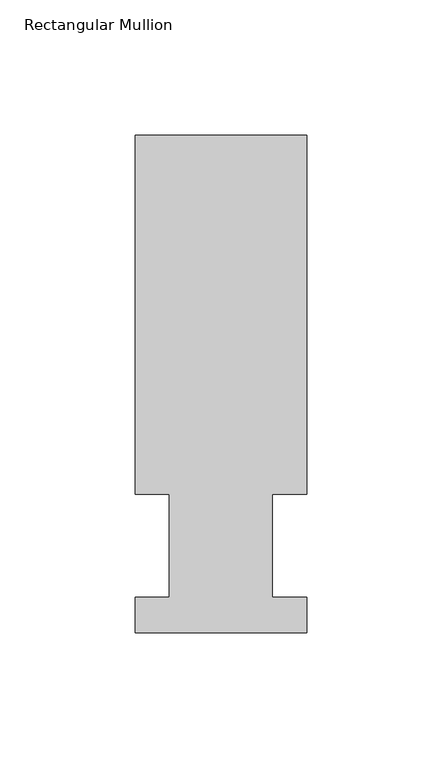
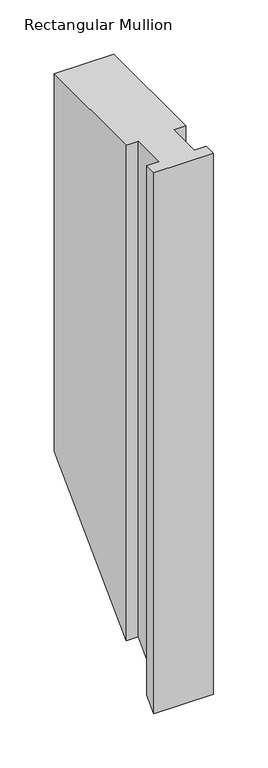
"""IFC4 building model written with IfcOpenShell, lengths in millimetres: member geometry, Rectangular Mullion."""

from ifc_helpers import new_model, si_unit, origin, place, context, project, spatial, faceted_brep, source, transform, mapped, element, save


def rectangular_mullion_41f70af0(model_context):
    return source(origin(), model_context, "Body", "Brep", [
        faceted_brep([(0.0, 184.2396937, 0.0), (-63.5127, 184.2396938, 0.0), (-63.5127, 51.2960938, 0.0), (-50.8127001, 51.2960938, 0.0), (-50.8127001, 13.1960938, 0.0), (-63.5000001, 13.1960938, 0.0), (-63.5000001, 0.0134938, 0.0), (0.0, 0.0134938, 0.0), (0.0, 13.1960938, 0.0), (-12.6873001, 13.1960938, 0.0), (-12.6873001, 51.2960938, 0.0), (0.0, 51.2960938, 0.0), (0.0, 51.2960938, -558.3039062), (0.0, 184.2396937, -425.3603062), (-12.6873001, 51.2960938, -558.3039062), (-12.6873001, 13.1960938, -596.4039062), (0.0, 13.1960938, -596.4039062), (0.0, 0.0134938, -609.5865062), (-63.5000001, 0.0134938, -609.5865062), (-63.5000001, 13.1960938, -596.4039062), (-50.8127001, 13.1960938, -596.4039062), (-50.8127001, 51.2960938, -558.3039062), (-63.5127, 51.2960938, -558.3039062), (-63.5127, 184.2396938, -425.3603062)], [[[0, 1, 2, 3, 4, 5, 6, 7, 8, 9, 10, 11]], [[0, 11, 12, 13]], [[11, 10, 14, 12]], [[10, 9, 15, 14]], [[9, 8, 16, 15]], [[8, 7, 17, 16]], [[7, 6, 18, 17]], [[6, 5, 19, 18]], [[5, 4, 20, 19]], [[4, 3, 21, 20]], [[3, 2, 22, 21]], [[2, 1, 23, 22]], [[1, 0, 13, 23]], [[13, 12, 14, 15, 16, 17, 18, 19, 20, 21, 22, 23]]]),
    ])


if __name__ == "__main__":
    model = new_model("IFC4")
    model_context = context("Model", 3, world=origin())
    ifc_project = project(units=[si_unit("LENGTHUNIT", "METRE", prefix="MILLI")], contexts=[model_context])
    site = spatial("IfcSite", under=ifc_project)
    building = spatial("IfcBuilding", under=site)
    placement = place(None, origin())
    rectangular_mullion_shape = rectangular_mullion_41f70af0(model_context)
    element("IfcMember", 1, ObjectType="Rectangular Mullion", at=placement, inside=building, context=model_context, shape_type="MappedRepresentation", body=[
        mapped(rectangular_mullion_shape, transform((0.0, 0.0, 0.0), x_axis=(1.0, 0.0, 0.0), y_axis=(0.0, 1.0, 0.0), z_axis=(0.0, 0.0, 1.0))),
    ])
    save(model, "model.ifc")
